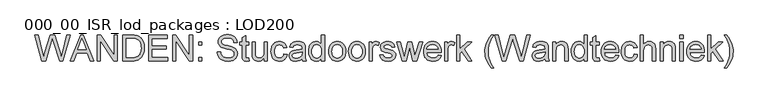
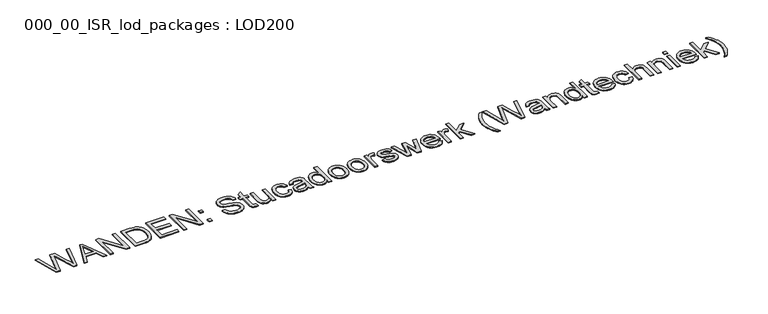
"""IFC4 building model written with IfcOpenShell, lengths in millimetres: proxy geometry, 000_00_ISR_lod_packages : LOD200."""

from ifc_helpers import new_model, si_unit, origin, origin_with_axes, place, context, project, spatial, polyline, outline, extrude, source, transform, mapped, element, save


def proxy_000_00_isr_lod_packages_lod200_ed90f3b3(model_context):
    return source(origin(), model_context, "Body", "SweptSolid", [
        extrude(outline(polyline([(730.4878058, 500.0), (512.4904484, 1299.3886983), (615.5366478, 1299.3886983), (742.002438, 774.009212), (781.0350893, 611.8285459), (822.8000261, 755.2735394), (981.2725904, 1299.3886983), (1129.7918285, 1299.3886983), (1244.9381498, 904.9637571), (1294.2656629, 758.5913148), (1330.6148194, 611.8285459), (1368.4764911, 769.3252939), (1496.1132608, 1299.3886983), (1599.1594602, 1299.3886983), (1380.9669395, 500.0), (1274.2126383, 500.0), (1082.5623204, 1116.7158903), (1055.8249543, 1202.7828864), (1025.7698128, 1099.1511972), (851.0986983, 500.0), (730.4878058, 500.0)])), origin_with_axes(), (0.0, 0.0, 1.0), 25.0),
        extrude(outline(polyline([(1605.9901742, 500.0), (1925.0820985, 1299.3886983), (2010.1732783, 1299.3886983), (2329.2652025, 500.0), (2223.6818808, 500.0), (2132.1503135, 749.8089682), (1802.9098999, 749.8089682), (1711.5734959, 500.0), (1605.9901742, 500.0)]), holes=[polyline([(1839.6005921, 849.7325555), (2095.6547846, 849.7325555), (2023.639543, 1046.2619548), (1967.6276884, 1199.465111), (1917.861058, 1063.4363213), (1839.6005921, 849.7325555)])]), origin_with_axes(), (0.0, 0.0, 1.0), 25.0),
        extrude(outline(polyline([(2436.0195038, 500.0), (2436.0195038, 1299.3886983), (2542.9689683, 1299.3886983), (2960.6183371, 666.0839312), (2960.6183371, 1299.3886983), (3060.5419244, 1299.3886983), (3060.5419244, 500.0), (2953.5924599, 500.0), (2535.9430911, 1133.4999304), (2535.9430911, 500.0), (2436.0195038, 500.0)])), origin_with_axes(), (0.0, 0.0, 1.0), 25.0),
        extrude(outline(polyline([(3235.4082021, 500.0), (3235.4082021, 1299.3886983), (3511.1738835, 1299.3886983), (3593.5815685, 1296.5100403), (3653.8382239, 1287.8740662), (3686.9427913, 1278.3720552), (3717.5590272, 1265.6742458), (3745.6869315, 1249.7806381), (3771.3265043, 1230.6912321), (3800.9547262, 1202.099815), (3826.6064967, 1169.8002961), (3848.2818159, 1133.7926753), (3865.9806837, 1094.0769526), (3879.7274955, 1051.0190591), (3889.5466469, 1004.984926), (3895.4381377, 955.9745532), (3897.401968, 903.9879408), (3892.0837692, 818.1892942), (3876.129173, 742.6855094), (3851.8313476, 678.4036118), (3821.4834612, 626.2706269), (3786.5492383, 585.1155752), (3748.4924033, 553.7674771), (3704.8002293, 530.5186542), (3652.9599893, 513.661428), (3592.8741017, 503.415357), (3524.4449849, 500.0), (3235.4082021, 500.0)]), holes=[polyline([(3335.3317894, 599.9235873), (3512.1496998, 599.9235873), (3585.2871301, 603.5341075), (3640.7622857, 614.3656683), (3682.6248043, 631.7839889), (3714.9243232, 655.1547889), (3733.3611521, 675.1895169), (3749.6389874, 698.4078456), (3763.7578293, 724.8097749), (3775.7176776, 754.3953048), (3785.2379852, 787.2254238), (3792.0382049, 823.3611205), (3797.4783807, 905.5492469), (3794.8131824, 963.5615248), (3786.8175878, 1014.450344), (3773.4915967, 1058.2157042), (3754.8352091, 1094.8576056), (3732.3609404, 1125.205492), (3707.5813057, 1150.0888072), (3680.496305, 1169.5075512), (3651.1059383, 1183.461724), (3625.7103196, 1190.4632058), (3593.6303593, 1195.4642643), (3509.4174142, 1199.465111), (3335.3317894, 1199.465111), (3335.3317894, 599.9235873)])]), origin_with_axes(), (0.0, 0.0, 1.0), 25.0),
        extrude(outline(polyline([(4034.7969005, 500.0), (4034.7969005, 1299.3886983), (4609.3575274, 1299.3886983), (4609.3575274, 1199.465111), (4134.7204878, 1199.465111), (4134.7204878, 962.1465912), (4584.3766306, 962.1465912), (4584.3766306, 862.2230039), (4134.7204878, 862.2230039), (4134.7204878, 599.9235873), (4621.8479758, 599.9235873), (4621.8479758, 500.0), (4034.7969005, 500.0)])), origin_with_axes(), (0.0, 0.0, 1.0), 25.0),
        extrude(outline(polyline([(4771.7333568, 500.0), (4771.7333568, 1299.3886983), (4878.6828213, 1299.3886983), (5296.3321901, 666.0839312), (5296.3321901, 1299.3886983), (5396.2557773, 1299.3886983), (5396.2557773, 500.0), (5289.3063128, 500.0), (4871.6569441, 1133.4999304), (4871.6569441, 500.0), (4771.7333568, 500.0)])), origin_with_axes(), (0.0, 0.0, 1.0), 25.0),
        extrude(outline(polyline([(5583.6125035, 500.0), (5583.6125035, 599.9235873), (5683.5360908, 599.9235873), (5683.5360908, 500.0), (5583.6125035, 500.0)])), origin_with_axes(), (0.0, 0.0, 1.0), 25.0),
        extrude(outline(polyline([(5583.6125035, 987.1274881), (5583.6125035, 1087.0510753), (5683.5360908, 1087.0510753), (5683.5360908, 987.1274881), (5583.6125035, 987.1274881)])), origin_with_axes(), (0.0, 0.0, 1.0), 25.0),
        extrude(outline(polyline([(6158.1731305, 774.7898651), (6258.0967177, 774.7898651), (6269.5625591, 719.3391048), (6278.7718252, 695.6938565), (6290.2986551, 674.7686961), (6304.7285383, 656.1428028), (6322.6469648, 639.3953559), (6344.0539345, 624.5263553), (6368.9494474, 611.5358011), (6396.4186757, 600.9908864), (6425.5467918, 593.4588044), (6488.7796868, 587.4331389), (6544.4500057, 591.99508), (6593.192029, 605.6809034), (6632.6881931, 627.3440248), (6648.0999915, 640.7371033), (6660.6209341, 655.8378603), (6677.2342063, 688.5521011), (6682.7719637, 722.8764388), (6678.6247445, 756.3225419), (6666.1830869, 785.2310993), (6655.7174573, 798.0569845), (6640.9094452, 809.8948558), (6598.2662737, 830.6065564), (6545.4990082, 846.2928031), (6452.772066, 868.760973), (6357.2640474, 894.0102193), (6296.1535527, 918.0396953), (6269.4710763, 933.9576984), (6246.4113178, 951.6565662), (6226.9742772, 971.1362987), (6211.1599546, 992.396896), (6198.9073614, 1015.2187993), (6190.1555091, 1039.38245), (6184.9043977, 1064.887848), (6183.1540273, 1091.7349935), (6185.3191197, 1121.4912913), (6191.8143968, 1150.259575), (6202.6398587, 1178.0398448), (6217.7955053, 1204.8321006), (6237.1105688, 1229.5446479), (6260.4142814, 1251.0857924), (6287.7066431, 1269.4555339), (6318.9876538, 1284.6538725), (6353.2022121, 1296.56493), (6389.2952169, 1305.0728282), (6427.266668, 1310.1775671), (6467.1165654, 1311.8791468), (6510.5891808, 1310.098282), (6551.4270922, 1304.7556879), (6589.6302996, 1295.8513643), (6625.1988031, 1283.3853113), (6657.4739266, 1267.4673082), (6685.7969942, 1248.2071343), (6710.1680059, 1225.6047897), (6730.5869616, 1199.6602743), (6746.8952912, 1171.1298458), (6758.9344246, 1140.7697617), (6766.7043617, 1108.5800221), (6770.2051026, 1074.5606269), (6670.2815153, 1074.5606269), (6663.5971738, 1106.445424), (6651.9361692, 1134.1830018), (6635.2985016, 1157.7733604), (6613.684171, 1177.2164998), (6586.6906531, 1192.4148384), (6553.9154237, 1203.2707945), (6515.3584828, 1209.7843682), (6471.0198305, 1211.9555595), (6425.2662446, 1209.8087636), (6386.1726048, 1203.3683762), (6353.7389111, 1192.6343971), (6327.9651635, 1177.6068263), (6308.3268609, 1159.5420274), (6294.2995018, 1139.6963638), (6285.8830864, 1118.0698354), (6283.0776146, 1094.6624423), (6285.0658402, 1074.5240338), (6291.0305173, 1056.2640716), (6300.9716456, 1039.8825558), (6314.8892254, 1025.3794863), (6336.7963009, 1011.6448721), (6371.2914065, 997.7638855), (6478.0457077, 969.562795), (6588.215366, 942.776638), (6654.8636181, 919.4058381), (6685.4981505, 902.3412508), (6711.8268935, 883.1542632), (6733.8498473, 861.8448751), (6751.5670116, 838.4130867), (6765.1857476, 812.9808748), (6774.9134162, 785.6702166), (6780.7500173, 756.4811121), (6782.695551, 725.4135612), (6780.4572724, 694.1569459), (6773.7424366, 663.8151584), (6762.5510437, 634.3881986), (6746.8830935, 605.8760666), (6727.0130344, 579.3826546), (6703.2153149, 556.0118546), (6675.4899347, 535.7636667), (6643.8368941, 518.638091), (6609.1771195, 505.019355), (6572.4315376, 495.2916864), (6533.6001485, 489.4550853), (6492.682952, 487.5095516), (6441.5684753, 489.6075566), (6394.7841835, 495.9015716), (6352.3300763, 506.3915966), (6314.206154, 521.0776317), (6280.18066, 539.9840722), (6250.021838, 563.1353135), (6223.7296881, 590.5313556), (6201.3042101, 622.1721985), (6183.2394112, 657.0332352), (6170.0292983, 694.0898585), (6161.6738714, 733.3420685), (6158.1731305, 774.7898651)])), origin_with_axes(), (0.0, 0.0, 1.0), 25.0),
        extrude(outline(polyline([(7132.4281066, 583.3347105), (7144.918555, 497.0725512), (7105.3492047, 489.9003015), (7070.1710278, 487.5095516), (7022.2096575, 491.6567708), (6986.4459907, 504.0984284), (6961.172349, 523.2732183), (6944.6810539, 547.6198346), (6935.6059624, 589.4335623), (6932.580932, 661.0096866), (6932.580932, 987.1274881), (6857.6382415, 987.1274881), (6857.6382415, 1087.0510753), (6932.580932, 1087.0510753), (6932.580932, 1229.7154158), (7032.5045193, 1288.459556), (7032.5045193, 1087.0510753), (7132.4281066, 1087.0510753), (7132.4281066, 987.1274881), (7032.5045193, 987.1274881), (7032.5045193, 663.9371354), (7033.8218712, 631.0521267), (7037.7739272, 612.4140357), (7044.6778274, 602.0947785), (7054.8507121, 594.1662712), (7069.2683977, 589.116422), (7088.9067004, 587.4331389), (7132.4281066, 583.3347105)])), origin_with_axes(), (0.0, 0.0, 1.0), 25.0),
        extrude(outline(polyline([(7607.0651462, 500.0), (7607.0651462, 600.8994036), (7589.7322095, 574.323657), (7570.9111529, 551.2913433), (7550.6019766, 531.8024625), (7528.8046804, 515.8570146), (7505.5192643, 503.4549995), (7480.7457285, 494.5964173), (7454.4840728, 489.281268), (7426.7342973, 487.5095516), (7378.0654602, 492.4862146), (7332.7631893, 507.4162037), (7294.7551451, 529.8599782), (7267.9689881, 557.3779974), (7249.9407823, 590.7997051), (7238.2065915, 630.9545451), (7233.8154183, 668.8162168), (7232.3516938, 723.8522551), (7232.3516938, 1087.0510753), (7332.2752811, 1087.0510753), (7332.2752811, 770.8865999), (7333.7877964, 707.6537048), (7338.3253421, 669.0113801), (7344.3083157, 651.0014708), (7352.8894001, 635.028578), (7364.0685954, 621.0927018), (7377.8459015, 609.193842), (7393.8065966, 599.6735344), (7411.5359587, 592.8733147), (7452.3006838, 587.4331389), (7495.4073681, 592.9952917), (7535.732976, 609.6817501), (7553.7794783, 621.8123663), (7568.9839158, 635.9556035), (7581.3462883, 652.1114618), (7590.8665959, 670.2799412), (7603.0155086, 717.2898906), (7607.0651462, 781.620579), (7607.0651462, 1087.0510753), (7706.9887335, 1087.0510753), (7706.9887335, 500.0), (7607.0651462, 500.0)])), origin_with_axes(), (0.0, 0.0, 1.0), 25.0),
        extrude(outline(polyline([(8219.0971184, 712.337623), (8319.0207057, 699.8471746), (8308.1525518, 652.6969516), (8291.1611508, 610.9747067), (8268.0465026, 574.6804398), (8238.8086073, 543.8141511), (8204.6794328, 519.1808888), (8166.8909473, 501.5857015), (8125.4431507, 491.0285891), (8080.336043, 487.5095516), (8024.2936942, 492.4191273), (7974.0452545, 507.1478543), (7929.590724, 531.6957326), (7890.9301027, 566.0627623), (7859.6368943, 609.602465), (7837.2846026, 661.6683625), (7823.8732275, 722.2604548), (7819.4027692, 791.3787419), (7821.3117098, 837.3213922), (7827.0385316, 880.3000006), (7836.5832346, 920.314567), (7849.9458188, 957.3650914), (7867.217767, 990.707514), (7888.490562, 1019.5977748), (7913.7642037, 1044.0358739), (7943.0386921, 1064.0218111), (7974.9905765, 1079.5616854), (8008.296406, 1090.6615956), (8042.9561806, 1097.3215417), (8078.9699002, 1099.5415238), (8123.3024537, 1096.4920979), (8163.4024041, 1087.3438202), (8199.2697513, 1072.0966908), (8230.9044954, 1050.7507096), (8257.7699374, 1023.7937849), (8279.3293784, 991.7138246), (8295.5828183, 954.5108288), (8306.5302572, 912.1847976), (8206.60667, 899.6943492), (8198.8062385, 923.0346549), (8188.4808825, 943.2889416), (8175.6306018, 960.4572093), (8160.2553966, 974.539458), (8142.7455931, 985.5112923), (8123.4915181, 993.3483169), (8102.4931715, 998.0505316), (8079.7505533, 999.6179365), (8045.7982455, 996.5319175), (8015.1759108, 987.2738605), (7987.8835492, 971.8437655), (7963.9211606, 950.2416326), (7944.4109338, 921.9673558), (7930.4750575, 886.5208294), (7922.1135317, 843.9020532), (7919.3263565, 794.1110274), (7922.0525432, 743.5698429), (7930.2311034, 700.4570598), (7943.8620371, 664.7726781), (7962.9453443, 636.5166979), (7986.4320224, 615.0426408), (8013.2730691, 599.7040286), (8043.4684841, 590.5008613), (8077.0182677, 587.4331389), (8104.0544776, 589.3481783), (8128.760926, 595.0932967), (8151.1376132, 604.668494), (8171.1845389, 618.0737701), (8188.3406089, 635.4554977), (8202.0447288, 656.960049), (8212.2968986, 682.5874241), (8219.0971184, 712.337623)])), origin_with_axes(), (0.0, 0.0, 1.0), 25.0),
        extrude(outline(polyline([(8781.1672969, 574.9426905), (8733.4254853, 534.0071974), (8709.0239794, 518.8454519), (8684.2687401, 507.2210405), (8632.5748725, 492.4374238), (8577.2216939, 487.5095516), (8532.7305703, 490.4735935), (8493.7162156, 499.3657194), (8460.1786297, 514.1859292), (8432.1178128, 534.9342229), (8409.9606843, 560.2932485), (8394.134164, 588.9456541), (8384.6382518, 620.8914397), (8381.4729477, 656.1306051), (8386.2544475, 697.5540063), (8400.5989468, 735.171724), (8422.725581, 767.3736613), (8450.8534854, 792.5497214), (8483.9092619, 811.5781389), (8520.8195128, 825.3371485), (8607.2768354, 840.3647192), (8709.4448001, 856.172943), (8780.5818071, 874.7134523), (8781.1672969, 896.9620636), (8779.4474207, 921.1867028), (8774.2877921, 941.5568677), (8765.6884111, 958.0725583), (8753.6492777, 970.7337745), (8732.8399955, 983.3705954), (8707.4931676, 992.396896), (8677.6087939, 997.8126763), (8643.1868746, 999.6179365), (8583.6620814, 994.8120413), (8560.6328171, 988.8046723), (8542.0923078, 980.3943557), (8526.8573761, 968.9224155), (8513.7448448, 953.7301758), (8502.7547139, 934.8176365), (8493.8869834, 912.1847976), (8393.9633961, 924.675246), (8411.3085305, 979.3209578), (8423.1829949, 1002.2526404), (8437.1920574, 1022.2568742), (8453.9395044, 1039.7361834), (8474.0291221, 1055.0930921), (8497.4609106, 1068.3276004), (8524.2348698, 1079.4397083), (8585.6381094, 1094.5160699), (8656.0676495, 1099.5415238), (8723.6185316, 1095.1015597), (8777.1664501, 1081.7816674), (8817.5408488, 1061.7530382), (8845.5711715, 1037.1868633), (8864.1604717, 1006.8145815), (8876.2118028, 969.3676317), (8879.8711138, 934.8237353), (8881.0908842, 881.9344928), (8881.0908842, 757.6154985), (8882.3594453, 649.3242866), (8886.1651288, 584.0177819), (8893.6789142, 541.1062609), (8906.071781, 500.0), (8806.1481937, 500.0), (8790.1448067, 534.7390596), (8781.1672969, 574.9426905)]), holes=[polyline([(8781.1672969, 774.7898651), (8714.0311367, 758.1521974), (8619.9624471, 744.1492338), (8568.1222071, 736.489076), (8533.9930326, 727.9506835), (8511.6224443, 716.8751687), (8495.057963, 701.6036439), (8484.811892, 683.3070886), (8481.396535, 663.1564824), (8483.2566848, 647.6288058), (8488.8371342, 633.4428766), (8498.1378831, 620.5986948), (8511.1589316, 609.0962603), (8527.7783027, 599.6186447), (8547.8740192, 592.8489192), (8598.4944889, 587.4331389), (8652.1643844, 593.4100136), (8676.6573731, 600.881107), (8699.5890557, 611.3406378), (8738.0362172, 637.7608636), (8764.7735833, 669.2065433), (8776.6297512, 701.6036439), (8780.5818071, 746.4911929), (8781.1672969, 774.7898651)])]), origin_with_axes(), (0.0, 0.0, 1.0), 25.0),
        extrude(outline(polyline([(9380.7088206, 500.0), (9380.7088206, 594.2638529), (9350.8122493, 547.5588461), (9333.4945597, 529.2104505), (9314.5972675, 514.1981269), (9294.1203727, 502.5218752), (9272.0638753, 494.1816954), (9248.4277753, 489.1775875), (9223.2120727, 487.5095516), (9190.2294824, 489.9246969), (9158.6130348, 497.1701328), (9128.3627301, 509.2458593), (9099.4785681, 526.1518764), (9072.863179, 547.3819794), (9049.4191929, 572.4299635), (9029.1466096, 601.2958289), (9012.0454292, 633.9795755), (8998.4693852, 669.8591205), (8988.7722109, 708.3123808), (8982.9539063, 749.3393566), (8981.0144715, 792.9400479), (8982.801435, 835.7417896), (8988.1623257, 876.5187125), (8997.0971436, 915.2708166), (9009.6058885, 951.9981019), (9025.6824618, 985.6271705), (9045.3207645, 1015.0846245), (9068.5207966, 1040.3704639), (9095.2825581, 1061.4846888), (9124.6607271, 1078.1345541), (9155.7099814, 1090.027315), (9188.4303211, 1097.1629716), (9222.8217462, 1099.5415238), (9247.9734109, 1097.8399441), (9271.7101419, 1092.7352052), (9294.0319394, 1084.227307), (9314.9388032, 1072.3162495), (9351.5807046, 1041.0169422), (9380.7088206, 1001.569569), (9380.7088206, 1299.3886983), (9480.6324079, 1299.3886983), (9480.6324079, 500.0), (9380.7088206, 500.0)]), holes=[polyline([(9080.9380588, 793.3303744), (9083.7557283, 744.8749972), (9092.2087368, 702.9453913), (9106.2970844, 667.5415568), (9126.020771, 638.6634937), (9149.5745365, 616.2502135), (9175.1531208, 600.2407276), (9202.7565239, 590.6350361), (9232.3847458, 587.4331389), (9262.1532412, 590.4886636), (9289.5919753, 599.6552378), (9314.700948, 614.9328615), (9337.4801593, 636.3215346), (9356.3926987, 663.9920251), (9369.9016553, 698.1151007), (9378.0070293, 738.6907615), (9380.7088206, 785.7190074), (9377.9582385, 837.2787002), (9369.7064921, 881.4953755), (9355.9535813, 918.3690333), (9336.6995063, 947.8996735), (9313.4201891, 970.5264136), (9287.5915519, 986.6883707), (9259.2135947, 996.385545), (9228.2863174, 999.6179365), (9198.0726057, 996.5136209), (9170.4692027, 987.2006743), (9145.4761081, 971.6790965), (9123.0933222, 949.9488877), (9104.6503944, 921.5343373), (9091.4768746, 885.959735), (9083.5727627, 843.2250807), (9080.9380588, 793.3303744)])]), origin_with_axes(), (0.0, 0.0, 1.0), 25.0),
        extrude(outline(polyline([(9605.5368921, 793.5255377), (9610.9404747, 869.5538238), (9617.694953, 903.6250591), (9627.1512227, 935.0676894), (9639.3092837, 963.8817146), (9654.169136, 990.0671346), (9671.7307797, 1013.6239495), (9691.9942147, 1034.5521594), (9730.0754451, 1062.9850063), (9772.1087314, 1083.2941827), (9818.0940737, 1095.4796885), (9868.031472, 1099.5415238), (9923.158993, 1094.595355), (9973.0049085, 1079.7568486), (10017.5692183, 1055.0260047), (10056.8519225, 1020.4028233), (10088.9135863, 977.0582838), (10111.8147746, 926.1633658), (10125.5554877, 867.7180694), (10130.1357253, 801.7223944), (10128.1109066, 748.2354645), (10122.0364502, 700.7742001), (10111.9123563, 659.3386012), (10097.7386248, 623.9286678), (10079.6921224, 593.3429262), (10057.9497159, 566.3799026), (10032.5114052, 543.0395969), (10003.3771903, 523.3220091), (9971.6814577, 507.654059), (9938.5585937, 496.462666), (9904.0085985, 489.7478302), (9868.031472, 487.5095516), (9812.0989024, 492.4374238), (9761.7894742, 507.2210405), (9717.1031874, 531.8604016), (9678.0400418, 566.3555072), (9646.3199138, 610.1208674), (9623.6626795, 662.5709926), (9610.0683389, 723.7058827), (9605.5368921, 793.5255377)]), holes=[polyline([(9705.4604793, 793.7207009), (9708.3513351, 745.253126), (9717.0239023, 703.286927), (9731.478181, 667.822104), (9751.7141711, 638.858657), (9776.3291368, 616.3599928), (9803.9203422, 600.2895184), (9834.4877873, 590.6472338), (9868.031472, 587.4331389), (9901.4043888, 590.6655303), (9931.8498568, 600.3627046), (9959.367876, 616.5246618), (9983.9584463, 639.1514018), (10004.1944364, 668.4014949), (10018.6487151, 704.4335111), (10027.3212823, 747.2474505), (10030.212138, 796.843313), (10027.3029858, 843.7739774), (10018.5755289, 884.642383), (10004.0297674, 919.44853), (9983.6657014, 948.1924184), (9958.9836483, 970.6910825), (9931.4839257, 986.7615569), (9901.1665336, 996.4038416), (9868.031472, 999.6179365), (9834.4877873, 996.4160393), (9803.9203422, 986.8103478), (9776.3291368, 970.8008619), (9751.7141711, 948.3875817), (9731.478181, 919.5095186), (9717.0239023, 884.1056841), (9708.3513351, 842.1760782), (9705.4604793, 793.7207009)])]), origin_with_axes(), (0.0, 0.0, 1.0), 25.0),
        extrude(outline(polyline([(10217.5688642, 793.5255377), (10222.9724469, 869.5538238), (10229.7269252, 903.6250591), (10239.1831949, 935.0676894), (10251.3412559, 963.8817146), (10266.2011082, 990.0671346), (10283.7627518, 1013.6239495), (10304.0261868, 1034.5521594), (10342.1074172, 1062.9850063), (10384.1407036, 1083.2941827), (10430.1260459, 1095.4796885), (10480.0634441, 1099.5415238), (10535.1909652, 1094.595355), (10585.0368807, 1079.7568486), (10629.6011905, 1055.0260047), (10668.8838947, 1020.4028233), (10700.9455584, 977.0582838), (10723.8467468, 926.1633658), (10737.5874598, 867.7180694), (10742.1676975, 801.7223944), (10740.1428787, 748.2354645), (10734.0684224, 700.7742001), (10723.9443284, 659.3386012), (10709.7705969, 623.9286678), (10691.7240946, 593.3429262), (10669.981688, 566.3799026), (10644.5433773, 543.0395969), (10615.4091625, 523.3220091), (10583.7134298, 507.654059), (10550.5905659, 496.462666), (10516.0405707, 489.7478302), (10480.0634441, 487.5095516), (10424.1308746, 492.4374238), (10373.8214464, 507.2210405), (10329.1351595, 531.8604016), (10290.072014, 566.3555072), (10258.351886, 610.1208674), (10235.6946517, 662.5709926), (10222.1003111, 723.7058827), (10217.5688642, 793.5255377)]), holes=[polyline([(10317.4924515, 793.7207009), (10320.3833072, 745.253126), (10329.0558745, 703.286927), (10343.5101531, 667.822104), (10363.7461433, 638.858657), (10388.361109, 616.3599928), (10415.9523144, 600.2895184), (10446.5197594, 590.6472338), (10480.0634441, 587.4331389), (10513.436361, 590.6655303), (10543.881829, 600.3627046), (10571.3998481, 616.5246618), (10595.9904184, 639.1514018), (10616.2264086, 668.4014949), (10630.6806873, 704.4335111), (10639.3532545, 747.2474505), (10642.2441102, 796.843313), (10639.3349579, 843.7739774), (10630.607501, 884.642383), (10616.0617396, 919.44853), (10595.6976736, 948.1924184), (10571.0156205, 970.6910825), (10543.5158979, 986.7615569), (10513.1985058, 996.4038416), (10480.0634441, 999.6179365), (10446.5197594, 996.4160393), (10415.9523144, 986.8103478), (10388.361109, 970.8008619), (10363.7461433, 948.3875817), (10343.5101531, 919.5095186), (10329.0558745, 884.1056841), (10320.3833072, 842.1760782), (10317.4924515, 793.7207009)])]), origin_with_axes(), (0.0, 0.0, 1.0), 25.0),
        extrude(outline(polyline([(10854.5817332, 500.0), (10854.5817332, 1087.0510753), (10942.0148721, 1087.0510753), (10942.0148721, 1000.2034262), (10974.314391, 1050.5555464), (10989.5127296, 1067.973867), (11004.0767876, 1080.2203614), (11033.9367659, 1094.7112332), (11066.5290297, 1099.5415238), (11091.3147633, 1097.6142866), (11116.2956601, 1091.8325751), (11141.4717202, 1082.1963893), (11166.8429435, 1068.7057292), (11133.4700267, 979.1257945), (11098.3406405, 994.494901), (11063.2112543, 999.6179365), (11033.3756715, 994.6900642), (11006.7114916, 979.9064476), (10985.1703472, 956.3892752), (10970.7038708, 925.2607358), (10958.5549581, 869.4440444), (10954.5053205, 808.5531084), (10954.5053205, 500.0), (10854.5817332, 500.0)])), origin_with_axes(), (0.0, 0.0, 1.0), 25.0),
        extrude(outline(polyline([(11191.8238403, 674.8662778), (11291.7474276, 687.3567262), (11297.7852909, 664.571416), (11307.5068606, 644.615973), (11320.9121368, 627.4903973), (11338.0011194, 613.1946887), (11358.8225993, 601.9240107), (11383.4253673, 593.8735263), (11411.8094234, 589.0432357), (11443.9747676, 587.4331389), (11476.1035187, 588.909061), (11503.7923057, 593.3368274), (11527.0411287, 600.716438), (11545.8499875, 611.0478929), (11560.3652547, 623.3675735), (11570.7333027, 636.7118611), (11576.9541315, 651.0807559), (11579.0277411, 666.4742577), (11576.9419338, 679.9649178), (11570.6845119, 691.9430627), (11560.2554754, 702.4086923), (11545.6548242, 711.3618067), (11508.2322698, 724.0474184), (11442.8037881, 739.8556422), (11351.6137565, 766.2270772), (11292.3329174, 788.7440379), (11254.251687, 813.3102128), (11239.1448312, 828.5756388), (11226.6604816, 845.8292904), (11209.900837, 884.2276611), (11204.3142887, 926.4317153), (11208.8030436, 965.1472263), (11222.2693083, 1000.8864976), (11243.4933125, 1032.2345957), (11271.2552857, 1057.7765869), (11298.8464911, 1073.8531601), (11334.7809257, 1087.3438202), (11376.3263039, 1096.4920979), (11420.7503401, 1099.5415238), (11485.7884953, 1094.6380469), (11542.3370489, 1079.9276165), (11587.8100876, 1056.8495614), (11605.4235715, 1042.712423), (11619.6216984, 1026.8432107), (11640.6993301, 987.6885824), (11653.9704316, 937.1656944), (11554.0468443, 924.675246), (11549.283641, 941.3678033), (11541.4344188, 956.1209257), (11530.4991776, 968.9346132), (11516.4779174, 979.8088659), (11499.3096497, 988.4753343), (11478.9333859, 994.6656688), (11428.5568704, 999.6179365), (11371.178873, 994.8852275), (11349.662124, 988.9693413), (11332.9268747, 980.6871006), (11311.4101257, 960.1949587), (11306.0309384, 948.7779082), (11304.237876, 936.5802046), (11307.2141157, 921.2110982), (11316.1428347, 907.5008794), (11331.4143595, 895.2543851), (11353.4190166, 885.4474315), (11439.4860127, 864.1746365), (11527.7729909, 838.071551), (11586.1511999, 817.1402917), (11624.8911063, 794.6477264), (11654.2631764, 763.8607227), (11665.0642429, 745.332411), (11672.7792904, 724.681699), (11677.4083189, 701.9085865), (11678.9513284, 677.0130736), (11677.1399694, 652.0077814), (11671.7058925, 627.7343513), (11662.6490976, 604.1927835), (11649.9695848, 581.3830779), (11633.874715, 560.2139635), (11614.5718492, 541.594169), (11592.0609873, 525.5236946), (11566.3421294, 512.0025403), (11538.1166435, 501.2868577), (11508.0858974, 493.6327988), (11476.2498912, 489.0403634), (11442.6086248, 487.5095516), (11388.82895, 490.4613958), (11341.8555937, 499.3169286), (11301.688556, 514.0761499), (11268.3278368, 534.7390596), (11241.0781672, 561.2080763), (11219.2442779, 593.3856182), (11202.8261689, 631.2716854), (11191.8238403, 674.8662778)])), origin_with_axes(), (0.0, 0.0, 1.0), 25.0),
        extrude(outline(polyline([(11888.751829, 500.0), (11710.1774494, 1087.0510753), (11814.0043018, 1087.0510753), (11915.2940319, 744.5395603), (11945.5443367, 622.1721985), (11970.3300702, 740.0508054), (12050.9324951, 1087.0510753), (12169.9820816, 1087.0510753), (12250.19418, 741.0266217), (12272.2476279, 634.2723204), (12303.8640755, 746.8815194), (12405.3489688, 1087.0510753), (12509.5661477, 1087.0510753), (12329.6256253, 500.0), (12208.8195696, 500.0), (12132.1204098, 844.2679843), (12109.8717986, 951.6077754), (12010.9240276, 500.0), (11888.751829, 500.0)])), origin_with_axes(), (0.0, 0.0, 1.0), 25.0),
        extrude(outline(polyline([(12989.2774321, 674.8662778), (13087.2493868, 662.3758294), (13072.2279149, 623.1358171), (13051.9492328, 588.5553276), (13026.4133404, 558.6343609), (12995.6202379, 533.3729168), (12959.8870654, 513.3076945), (12919.5309633, 498.9753929), (12874.5519315, 490.3760119), (12824.9499701, 487.5095516), (12762.9490431, 492.4557204), (12707.7056438, 507.2942267), (12659.2197723, 532.0250706), (12617.4914286, 566.6482521), (12583.9355462, 610.2001525), (12559.9670587, 661.7171534), (12545.5859663, 721.1992546), (12540.7922688, 788.6464563), (12545.6347571, 858.3807273), (12560.162222, 919.8449554), (12584.3746635, 973.0391405), (12600.1127505, 996.5349669), (12618.2720816, 1017.9632826), (12659.890646, 1053.6537631), (12707.2665265, 1079.1469635), (12760.3997231, 1094.4428837), (12819.2902357, 1099.5415238), (12876.2840054, 1094.4550814), (12927.8254017, 1079.1957543), (12973.9144245, 1053.7635424), (13014.5510738, 1018.1584458), (13047.7227285, 973.3318854), (13071.4167676, 920.2352819), (13085.6331911, 858.8686355), (13090.3719989, 789.231946), (13089.7865091, 762.2994166), (12640.7158561, 762.2994166), (12646.5036664, 722.4251238), (12658.0121997, 687.5030986), (12675.2414559, 657.5333411), (12698.1914351, 632.5158511), (12725.5935761, 612.7921645), (12756.1793177, 598.7038169), (12789.9486599, 590.2508084), (12826.9016027, 587.4331389), (12880.0835901, 592.653756), (12924.8735574, 608.3156073), (12944.1215336, 620.3059499), (12961.2715048, 635.3945091), (12976.3234709, 653.5812851), (12989.2774321, 674.8662778)]), holes=[polyline([(12640.7158561, 862.2230039), (12990.4484116, 862.2230039), (12985.3131784, 890.4972807), (12976.9333561, 915.0146648), (12965.3089446, 935.7751562), (12950.439944, 952.7787549), (12923.1902743, 973.2708968), (12892.183712, 987.9081411), (12857.4202569, 996.6904876), (12818.8999092, 999.6179365), (12783.7644242, 997.2820762), (12751.5441903, 990.2744956), (12722.2392076, 978.5951944), (12695.849476, 962.2441729), (12673.7045453, 941.9776884), (12657.133965, 918.5519988), (12646.1377353, 891.967104), (12640.7158561, 862.2230039)])]), origin_with_axes(), (0.0, 0.0, 1.0), 25.0),
        extrude(outline(polyline([(13190.2955862, 500.0), (13190.2955862, 1087.0510753), (13277.7287251, 1087.0510753), (13277.7287251, 1000.2034262), (13310.028244, 1050.5555464), (13325.2265826, 1067.973867), (13339.7906406, 1080.2203614), (13369.6506188, 1094.7112332), (13402.2428827, 1099.5415238), (13427.0286162, 1097.6142866), (13452.0095131, 1091.8325751), (13477.1855731, 1082.1963893), (13502.5567965, 1068.7057292), (13469.1838796, 979.1257945), (13434.0544935, 994.494901), (13398.9251073, 999.6179365), (13369.0895245, 994.6900642), (13342.4253446, 979.9064476), (13320.8842001, 956.3892752), (13306.4177238, 925.2607358), (13294.268811, 869.4440444), (13290.2191735, 808.5531084), (13290.2191735, 500.0), (13190.2955862, 500.0)])), origin_with_axes(), (0.0, 0.0, 1.0), 25.0),
        extrude(outline(polyline([(13565.0090385, 500.0), (13565.0090385, 1299.3886983), (13664.9326258, 1299.3886983), (13664.9326258, 869.8343709), (13888.9800442, 1087.0510753), (14027.1556298, 1087.0510753), (13800.3759258, 867.1020853), (14039.6460782, 500.0), (13922.9384508, 500.0), (13728.7510107, 797.6239661), (13664.9326258, 735.7572138), (13664.9326258, 500.0), (13565.0090385, 500.0)])), origin_with_axes(), (0.0, 0.0, 1.0), 25.0),
        extrude(outline(polyline([(14639.1876019, 275.1719286), (14598.8497964, 327.365902), (14561.7565799, 383.8290716), (14527.9079526, 444.5614375), (14497.3039145, 509.5629996), (14471.9448889, 577.309045), (14453.8312991, 646.2748607), (14442.9631453, 716.4604468), (14439.3404273, 787.8658032), (14442.0483175, 850.6229879), (14450.1719881, 912.0384251), (14463.711439, 972.112115), (14482.6666703, 1030.8440575), (14511.477646, 1098.1997764), (14547.1681265, 1165.4091228), (14589.7381118, 1232.4720968), (14639.1876019, 1299.3886983), (14714.1302924, 1299.3886983), (14655.3373614, 1204.3929833), (14620.6470926, 1141.1112974), (14588.7379001, 1065.9734437), (14564.4400747, 987.7129778), (14545.5580297, 887.7405997), (14539.2640146, 787.2803135), (14541.9963002, 723.2240734), (14550.193157, 659.180031), (14563.8545849, 595.1481864), (14582.9805841, 531.1285394), (14607.5711544, 467.1210901), (14637.6262959, 403.1258386), (14673.1460085, 339.1427847), (14714.1302924, 275.1719286), (14639.1876019, 275.1719286)])), origin_with_axes(), (0.0, 0.0, 1.0), 25.0),
        extrude(outline(polyline([(14969.5989951, 500.0), (14751.6016376, 1299.3886983), (14854.647837, 1299.3886983), (14981.1136272, 774.009212), (15020.1462785, 611.8285459), (15061.9112154, 755.2735394), (15220.3837796, 1299.3886983), (15368.9030177, 1299.3886983), (15484.049339, 904.9637571), (15533.3768521, 758.5913148), (15569.7260086, 611.8285459), (15607.5876803, 769.3252939), (15735.22445, 1299.3886983), (15838.2706494, 1299.3886983), (15620.0781287, 500.0), (15513.3238275, 500.0), (15321.6735097, 1116.7158903), (15294.9361435, 1202.7828864), (15264.881002, 1099.1511972), (15090.2098875, 500.0), (14969.5989951, 500.0)])), origin_with_axes(), (0.0, 0.0, 1.0), 25.0),
        extrude(outline(polyline([(16300.4172407, 574.9426905), (16252.6754291, 534.0071974), (16228.2739232, 518.8454519), (16203.5186838, 507.2210405), (16151.8248163, 492.4374238), (16096.4716377, 487.5095516), (16051.9805141, 490.4735935), (16012.9661594, 499.3657194), (15979.4285735, 514.1859292), (15951.3677565, 534.9342229), (15929.2106281, 560.2932485), (15913.3841078, 588.9456541), (15903.8881956, 620.8914397), (15900.7228915, 656.1306051), (15905.5043913, 697.5540063), (15919.8488906, 735.171724), (15941.9755248, 767.3736613), (15970.1034292, 792.5497214), (16003.1592057, 811.5781389), (16040.0694566, 825.3371485), (16126.5267792, 840.3647192), (16228.6947439, 856.172943), (16299.8317509, 874.7134523), (16300.4172407, 896.9620636), (16298.6973645, 921.1867028), (16293.5377359, 941.5568677), (16284.9383549, 958.0725583), (16272.8992215, 970.7337745), (16252.0899393, 983.3705954), (16226.7431114, 992.396896), (16196.8587377, 997.8126763), (16162.4368184, 999.6179365), (16102.9120252, 994.8120413), (16079.8827609, 988.8046723), (16061.3422515, 980.3943557), (16046.1073198, 968.9224155), (16032.9947885, 953.7301758), (16022.0046577, 934.8176365), (16013.1369272, 912.1847976), (15913.2133399, 924.675246), (15930.5584743, 979.3209578), (15942.4329387, 1002.2526404), (15956.4420012, 1022.2568742), (15973.1894481, 1039.7361834), (15993.2790659, 1055.0930921), (16016.7108543, 1068.3276004), (16043.4848136, 1079.4397083), (16104.8880531, 1094.5160699), (16175.3175933, 1099.5415238), (16242.8684754, 1095.1015597), (16296.4163939, 1081.7816674), (16336.7907926, 1061.7530382), (16364.8211153, 1037.1868633), (16383.4104155, 1006.8145815), (16395.4617465, 969.3676317), (16399.1210576, 934.8237353), (16400.340828, 881.9344928), (16400.340828, 757.6154985), (16401.6093891, 649.3242866), (16405.4150726, 584.0177819), (16412.928858, 541.1062609), (16425.3217248, 500.0), (16325.3981375, 500.0), (16309.3947505, 534.7390596), (16300.4172407, 574.9426905)]), holes=[polyline([(16300.4172407, 774.7898651), (16233.2810805, 758.1521974), (16139.2123909, 744.1492338), (16087.3721509, 736.489076), (16053.2429764, 727.9506835), (16030.8723881, 716.8751687), (16014.3079067, 701.6036439), (16004.0618358, 683.3070886), (16000.6464788, 663.1564824), (16002.5066286, 647.6288058), (16008.0870779, 633.4428766), (16017.3878269, 620.5986948), (16030.4088754, 609.0962603), (16047.0282464, 599.6186447), (16067.123963, 592.8489192), (16117.7444326, 587.4331389), (16171.4143282, 593.4100136), (16195.9073168, 600.881107), (16218.8389995, 611.3406378), (16257.286161, 637.7608636), (16284.0235271, 669.2065433), (16295.879695, 701.6036439), (16299.8317509, 746.4911929), (16300.4172407, 774.7898651)])]), origin_with_axes(), (0.0, 0.0, 1.0), 25.0),
        extrude(outline(polyline([(16537.7357605, 500.0), (16537.7357605, 1087.0510753), (16637.6593478, 1087.0510753), (16637.6593478, 1005.0825076), (16654.1445441, 1027.2213395), (16672.374012, 1046.4083272), (16692.3477515, 1062.6434706), (16714.0657627, 1075.9267697), (16737.5280454, 1086.2582246), (16762.7345997, 1093.6378352), (16818.3805232, 1099.5415238), (16867.6348501, 1094.7844194), (16912.7419577, 1080.5131063), (16950.3596754, 1058.5084491), (16977.1458323, 1030.5513126), (16995.3204106, 996.714883), (17007.1033922, 957.0723466), (17011.0554481, 919.161884), (17012.3728001, 860.4665346), (17012.3728001, 500.0), (16912.4492128, 500.0), (16912.4492128, 847.0002699), (16909.5705548, 898.6697421), (16900.9345807, 935.4092251), (16885.0043799, 961.7318693), (16860.2430417, 982.150825), (16828.5046172, 995.2511586), (16791.6431571, 999.6179365), (16761.3013696, 997.1661981), (16733.1185756, 989.8109828), (16707.0947751, 977.5522908), (16683.2299682, 960.3901219), (16663.2928217, 936.3728437), (16649.0520029, 903.5488235), (16640.5075116, 861.9180613), (16637.6593478, 811.4805573), (16637.6593478, 500.0), (16537.7357605, 500.0)])), origin_with_axes(), (0.0, 0.0, 1.0), 25.0),
        extrude(outline(polyline([(17511.9907366, 500.0), (17511.9907366, 594.2638529), (17482.0941652, 547.5588461), (17464.7764757, 529.2104505), (17445.8791835, 514.1981269), (17425.4022887, 502.5218752), (17403.3457913, 494.1816954), (17379.7096913, 489.1775875), (17354.4939887, 487.5095516), (17321.5113983, 489.9246969), (17289.8949508, 497.1701328), (17259.644646, 509.2458593), (17230.7604841, 526.1518764), (17204.145095, 547.3819794), (17180.7011088, 572.4299635), (17160.4285255, 601.2958289), (17143.3273452, 633.9795755), (17129.7513012, 669.8591205), (17120.0541269, 708.3123808), (17114.2358223, 749.3393566), (17112.2963874, 792.9400479), (17114.083351, 835.7417896), (17119.4442417, 876.5187125), (17128.3790595, 915.2708166), (17140.8878045, 951.9981019), (17156.9643777, 985.6271705), (17176.6026804, 1015.0846245), (17199.8027125, 1040.3704639), (17226.5644741, 1061.4846888), (17255.942643, 1078.1345541), (17286.9918973, 1090.027315), (17319.712237, 1097.1629716), (17354.1036621, 1099.5415238), (17379.2553268, 1097.8399441), (17402.9920579, 1092.7352052), (17425.3138553, 1084.227307), (17446.2207192, 1072.3162495), (17482.8626206, 1041.0169422), (17511.9907366, 1001.569569), (17511.9907366, 1299.3886983), (17611.9143239, 1299.3886983), (17611.9143239, 500.0), (17511.9907366, 500.0)]), holes=[polyline([(17212.2199747, 793.3303744), (17215.0376442, 744.8749972), (17223.4906528, 702.9453913), (17237.5790003, 667.5415568), (17257.3026869, 638.6634937), (17280.8564525, 616.2502135), (17306.4350368, 600.2407276), (17334.0384398, 590.6350361), (17363.6666617, 587.4331389), (17393.4351572, 590.4886636), (17420.8738912, 599.6552378), (17445.982864, 614.9328615), (17468.7620753, 636.3215346), (17487.6746146, 663.9920251), (17501.1835713, 698.1151007), (17509.2889453, 738.6907615), (17511.9907366, 785.7190074), (17509.2401544, 837.2787002), (17500.988408, 881.4953755), (17487.2354973, 918.3690333), (17467.9814223, 947.8996735), (17444.7021051, 970.5264136), (17418.8734679, 986.6883707), (17390.4955106, 996.385545), (17359.5682333, 999.6179365), (17329.3545217, 996.5136209), (17301.7511186, 987.2006743), (17276.7580241, 971.6790965), (17254.3752381, 949.9488877), (17235.9323104, 921.5343373), (17222.7587906, 885.959735), (17214.8546787, 843.2250807), (17212.2199747, 793.3303744)])]), origin_with_axes(), (0.0, 0.0, 1.0), 25.0),
        extrude(outline(polyline([(17974.1373278, 583.3347105), (17986.6277762, 497.0725512), (17947.058426, 489.9003015), (17911.880249, 487.5095516), (17863.9188788, 491.6567708), (17828.155212, 504.0984284), (17802.8815703, 523.2732183), (17786.3902751, 547.6198346), (17777.3151837, 589.4335623), (17774.2901532, 661.0096866), (17774.2901532, 987.1274881), (17699.3474628, 987.1274881), (17699.3474628, 1087.0510753), (17774.2901532, 1087.0510753), (17774.2901532, 1229.7154158), (17874.2137405, 1288.459556), (17874.2137405, 1087.0510753), (17974.1373278, 1087.0510753), (17974.1373278, 987.1274881), (17874.2137405, 987.1274881), (17874.2137405, 663.9371354), (17875.5310925, 631.0521267), (17879.4831485, 612.4140357), (17886.3870486, 602.0947785), (17896.5599334, 594.1662712), (17910.977619, 589.116422), (17930.6159216, 587.4331389), (17974.1373278, 583.3347105)])), origin_with_axes(), (0.0, 0.0, 1.0), 25.0),
        extrude(outline(polyline([(18485.0747332, 674.8662778), (18583.0466879, 662.3758294), (18568.025216, 623.1358171), (18547.7465339, 588.5553276), (18522.2106415, 558.6343609), (18491.417539, 533.3729168), (18455.6843665, 513.3076945), (18415.3282644, 498.9753929), (18370.3492326, 490.3760119), (18320.7472712, 487.5095516), (18258.7463442, 492.4557204), (18203.5029449, 507.2942267), (18155.0170734, 532.0250706), (18113.2887297, 566.6482521), (18079.7328473, 610.2001525), (18055.7643598, 661.7171534), (18041.3832674, 721.1992546), (18036.5895699, 788.6464563), (18041.4320582, 858.3807273), (18055.9595231, 919.8449554), (18080.1719646, 973.0391405), (18095.9100516, 996.5349669), (18114.0693827, 1017.9632826), (18155.6879471, 1053.6537631), (18203.0638276, 1079.1469635), (18256.1970242, 1094.4428837), (18315.0875368, 1099.5415238), (18372.0813065, 1094.4550814), (18423.6227028, 1079.1957543), (18469.7117256, 1053.7635424), (18510.3483749, 1018.1584458), (18543.5200296, 973.3318854), (18567.2140687, 920.2352819), (18581.4304922, 858.8686355), (18586.1693, 789.231946), (18585.5838102, 762.2994166), (18136.5131572, 762.2994166), (18142.3009675, 722.4251238), (18153.8095008, 687.5030986), (18171.038757, 657.5333411), (18193.9887362, 632.5158511), (18221.3908772, 612.7921645), (18251.9766188, 598.7038169), (18285.745961, 590.2508084), (18322.6989038, 587.4331389), (18375.8808912, 592.653756), (18420.6708585, 608.3156073), (18439.9188347, 620.3059499), (18457.0688059, 635.3945091), (18472.120772, 653.5812851), (18485.0747332, 674.8662778)]), holes=[polyline([(18136.5131572, 862.2230039), (18486.2457127, 862.2230039), (18481.1104795, 890.4972807), (18472.7306572, 915.0146648), (18461.1062457, 935.7751562), (18446.2372451, 952.7787549), (18418.9875754, 973.2708968), (18387.9810131, 987.9081411), (18353.217558, 996.6904876), (18314.6972103, 999.6179365), (18279.5617253, 997.2820762), (18247.3414914, 990.2744956), (18218.0365087, 978.5951944), (18191.6467771, 962.2441729), (18169.5018464, 941.9776884), (18152.9312661, 918.5519988), (18141.9350364, 891.967104), (18136.5131572, 862.2230039)])]), origin_with_axes(), (0.0, 0.0, 1.0), 25.0),
        extrude(outline(polyline([(19060.8063396, 712.337623), (19160.7299269, 699.8471746), (19149.8617731, 652.6969516), (19132.8703721, 610.9747067), (19109.7557239, 574.6804398), (19080.5178285, 543.8141511), (19046.3886541, 519.1808888), (19008.6001685, 501.5857015), (18967.1523719, 491.0285891), (18922.0452643, 487.5095516), (18866.0029155, 492.4191273), (18815.7544758, 507.1478543), (18771.2999453, 531.6957326), (18732.6393239, 566.0627623), (18701.3461155, 609.602465), (18678.9938238, 661.6683625), (18665.5824488, 722.2604548), (18661.1119905, 791.3787419), (18663.0209311, 837.3213922), (18668.7477529, 880.3000006), (18678.2924559, 920.314567), (18691.6550401, 957.3650914), (18708.9269883, 990.707514), (18730.1997832, 1019.5977748), (18755.4734249, 1044.0358739), (18784.7479134, 1064.0218111), (18816.6997978, 1079.5616854), (18850.0056273, 1090.6615956), (18884.6654018, 1097.3215417), (18920.6791215, 1099.5415238), (18965.011675, 1096.4920979), (19005.1116253, 1087.3438202), (19040.9789725, 1072.0966908), (19072.6137166, 1050.7507096), (19099.4791587, 1023.7937849), (19121.0385996, 991.7138246), (19137.2920396, 954.5108288), (19148.2394785, 912.1847976), (19048.3158912, 899.6943492), (19040.5154598, 923.0346549), (19030.1901038, 943.2889416), (19017.3398231, 960.4572093), (19001.9646178, 974.539458), (18984.4548144, 985.5112923), (18965.2007394, 993.3483169), (18944.2023928, 998.0505316), (18921.4597745, 999.6179365), (18887.5074668, 996.5319175), (18856.8851321, 987.2738605), (18829.5927704, 971.8437655), (18805.6303818, 950.2416326), (18786.1201551, 921.9673558), (18772.1842788, 886.5208294), (18763.822753, 843.9020532), (18761.0355778, 794.1110274), (18763.7617645, 743.5698429), (18771.9403247, 700.4570598), (18785.5712584, 664.7726781), (18804.6545656, 636.5166979), (18828.1412437, 615.0426408), (18854.9822903, 599.7040286), (18885.1777054, 590.5008613), (18918.7274889, 587.4331389), (18945.7636988, 589.3481783), (18970.4701473, 595.0932967), (18992.8468344, 604.668494), (19012.8937602, 618.0737701), (19030.0498302, 635.4554977), (19043.7539501, 656.960049), (19054.0061199, 682.5874241), (19060.8063396, 712.337623)])), origin_with_axes(), (0.0, 0.0, 1.0), 25.0),
        extrude(outline(polyline([(19248.1630658, 500.0), (19248.1630658, 1299.3886983), (19348.0866531, 1299.3886983), (19348.0866531, 1005.4728342), (19384.789543, 1046.6278859), (19426.0055832, 1076.0243514), (19471.7347737, 1093.6622307), (19521.9771146, 1099.5415238), (19553.2154333, 1097.9375257), (19582.3313516, 1093.1255317), (19609.3248695, 1085.1055416), (19634.195987, 1073.8775555), (19656.3104235, 1059.8197022), (19675.0338984, 1043.3101105), (19690.3664118, 1024.3487804), (19702.3079635, 1002.9357118), (19711.2732756, 977.747454), (19717.67707, 947.4605562), (19722.8001054, 871.5908402), (19722.8001054, 500.0), (19622.8765182, 500.0), (19622.8765182, 861.2471877), (19620.8882925, 894.9860356), (19614.9236155, 923.7970113), (19604.9824871, 947.6801148), (19591.0649074, 966.6353461), (19573.5002143, 981.0652294), (19552.6177458, 991.3722889), (19528.417502, 997.5565246), (19500.8994829, 999.6179365), (19458.6710333, 994.0557837), (19419.0284968, 977.3693252), (19401.2320474, 965.2570056), (19386.1922789, 951.1686581), (19373.9091915, 935.1042825), (19364.382785, 917.063879), (19352.1606861, 871.7372127), (19348.0866531, 811.8708838), (19348.0866531, 500.0), (19248.1630658, 500.0)])), origin_with_axes(), (0.0, 0.0, 1.0), 25.0),
        extrude(outline(polyline([(19860.195038, 500.0), (19860.195038, 1087.0510753), (19960.1186253, 1087.0510753), (19960.1186253, 1005.0825076), (19976.6038216, 1027.2213395), (19994.8332895, 1046.4083272), (20014.807029, 1062.6434706), (20036.5250402, 1075.9267697), (20059.9873229, 1086.2582246), (20085.1938772, 1093.6378352), (20140.8398007, 1099.5415238), (20190.0941276, 1094.7844194), (20235.2012352, 1080.5131063), (20272.8189529, 1058.5084491), (20299.6051098, 1030.5513126), (20317.7796881, 996.714883), (20329.5626697, 957.0723466), (20333.5147256, 919.161884), (20334.8320776, 860.4665346), (20334.8320776, 500.0), (20234.9084903, 500.0), (20234.9084903, 847.0002699), (20232.0298323, 898.6697421), (20223.3938582, 935.4092251), (20207.4636574, 961.7318693), (20182.7023192, 982.150825), (20150.9638946, 995.2511586), (20114.1024346, 999.6179365), (20083.7606471, 997.1661981), (20055.5778531, 989.8109828), (20029.5540526, 977.5522908), (20005.6892456, 960.3901219), (19985.7520992, 936.3728437), (19971.5112804, 903.5488235), (19962.966789, 861.9180613), (19960.1186253, 811.4805573), (19960.1186253, 500.0), (19860.195038, 500.0)])), origin_with_axes(), (0.0, 0.0, 1.0), 25.0),
        extrude(outline(polyline([(20472.2270101, 500.0), (20472.2270101, 1087.0510753), (20572.1505974, 1087.0510753), (20572.1505974, 500.0), (20472.2270101, 500.0)])), origin_with_axes(), (0.0, 0.0, 1.0), 25.0),
        extrude(outline(polyline([(20472.2270101, 1199.465111), (20472.2270101, 1299.3886983), (20572.1505974, 1299.3886983), (20572.1505974, 1199.465111), (20472.2270101, 1199.465111)])), origin_with_axes(), (0.0, 0.0, 1.0), 25.0),
        extrude(outline(polyline([(21133.0497964, 674.8662778), (21231.0217511, 662.3758294), (21216.0002793, 623.1358171), (21195.7215971, 588.5553276), (21170.1857048, 558.6343609), (21139.3926022, 533.3729168), (21103.6594298, 513.3076945), (21063.3033276, 498.9753929), (21018.3242959, 490.3760119), (20968.7223345, 487.5095516), (20906.7214075, 492.4557204), (20851.4780082, 507.2942267), (20802.9921367, 532.0250706), (20761.2637929, 566.6482521), (20727.7079105, 610.2001525), (20703.7394231, 661.7171534), (20689.3583306, 721.1992546), (20684.5646331, 788.6464563), (20689.4071214, 858.3807273), (20703.9345863, 919.8449554), (20728.1470278, 973.0391405), (20743.8851148, 996.5349669), (20762.0444459, 1017.9632826), (20803.6630104, 1053.6537631), (20851.0388909, 1079.1469635), (20904.1720874, 1094.4428837), (20963.0626001, 1099.5415238), (21020.0563698, 1094.4550814), (21071.597766, 1079.1957543), (21117.6867888, 1053.7635424), (21158.3234381, 1018.1584458), (21191.4950929, 973.3318854), (21215.189132, 920.2352819), (21229.4055554, 858.8686355), (21234.1443632, 789.231946), (21233.5588735, 762.2994166), (20784.4882204, 762.2994166), (20790.2760308, 722.4251238), (20801.784564, 687.5030986), (20819.0138203, 657.5333411), (20841.9637994, 632.5158511), (20869.3659404, 612.7921645), (20899.951682, 598.7038169), (20933.7210242, 590.2508084), (20970.6739671, 587.4331389), (21023.8559544, 592.653756), (21068.6459218, 608.3156073), (21087.893898, 620.3059499), (21105.0438691, 635.3945091), (21120.0958353, 653.5812851), (21133.0497964, 674.8662778)]), holes=[polyline([(20784.4882204, 862.2230039), (21134.220776, 862.2230039), (21129.0855428, 890.4972807), (21120.7057204, 915.0146648), (21109.081309, 935.7751562), (21094.2123084, 952.7787549), (21066.9626387, 973.2708968), (21035.9560763, 987.9081411), (21001.1926213, 996.6904876), (20962.6722736, 999.6179365), (20927.5367885, 997.2820762), (20895.3165547, 990.2744956), (20866.011572, 978.5951944), (20839.6218404, 962.2441729), (20817.4769096, 941.9776884), (20800.9063294, 918.5519988), (20789.9100996, 891.967104), (20784.4882204, 862.2230039)])]), origin_with_axes(), (0.0, 0.0, 1.0), 25.0),
        extrude(outline(polyline([(21334.0679505, 500.0), (21334.0679505, 1299.3886983), (21433.9915378, 1299.3886983), (21433.9915378, 869.8343709), (21658.0389562, 1087.0510753), (21796.2145418, 1087.0510753), (21569.4348378, 867.1020853), (21808.7049902, 500.0), (21691.9973628, 500.0), (21497.8099227, 797.6239661), (21433.9915378, 735.7572138), (21433.9915378, 500.0), (21334.0679505, 500.0)])), origin_with_axes(), (0.0, 0.0, 1.0), 25.0),
        extrude(outline(polyline([(21921.1190259, 275.1719286), (21846.1763354, 275.1719286), (21887.1606193, 339.1427847), (21922.6803319, 403.1258386), (21952.7354734, 467.1210901), (21977.3260437, 531.1285394), (21996.4520429, 595.1481864), (22010.1134708, 659.180031), (22018.3103276, 723.2240734), (22021.0426132, 787.2803135), (22014.7485982, 887.0087375), (21995.8665531, 985.9565085), (21972.007845, 1064.3633468), (21940.245025, 1139.5499913), (21905.4083837, 1203.5147486), (21846.1763354, 1299.3886983), (21921.1190259, 1299.3886983), (21970.568516, 1232.4720968), (22013.1385013, 1165.4091228), (22048.8289818, 1098.1997764), (22077.6399575, 1030.8440575), (22096.5951888, 972.112115), (22110.1346397, 912.0384251), (22118.2583103, 850.6229879), (22120.9662005, 787.8658032), (22117.325186, 716.4604468), (22106.4021425, 646.2748607), (22088.1970699, 577.309045), (22062.7099684, 509.5629996), (22032.0144475, 444.5614375), (21998.1841168, 383.8290716), (21961.2189762, 327.365902), (21921.1190259, 275.1719286)])), origin_with_axes(), (0.0, 0.0, 1.0), 25.0),
    ])


if __name__ == "__main__":
    model = new_model("IFC4")
    model_context = context("Model", 3, world=origin())
    ifc_project = project(units=[si_unit("LENGTHUNIT", "METRE", prefix="MILLI")], contexts=[model_context])
    site = spatial("IfcSite", under=ifc_project)
    building = spatial("IfcBuilding", under=site)
    placement = place(None, origin())
    proxy_000_00_isr_lod_packages_lod200_shape = proxy_000_00_isr_lod_packages_lod200_ed90f3b3(model_context)
    element("IfcBuildingElementProxy", 1, Name="000_00_ISR_lod_packages : LOD200", ObjectType="000_00_ISR_lod_packages : LOD200", at=placement, inside=building, context=model_context, shape_type="MappedRepresentation", body=[
        mapped(proxy_000_00_isr_lod_packages_lod200_shape, transform((0.0, 0.0, 0.0), x_axis=(1.0, 0.0, 0.0), y_axis=(0.0, 1.0, 0.0), z_axis=(0.0, 0.0, 1.0))),
    ])
    save(model, "model.ifc")
